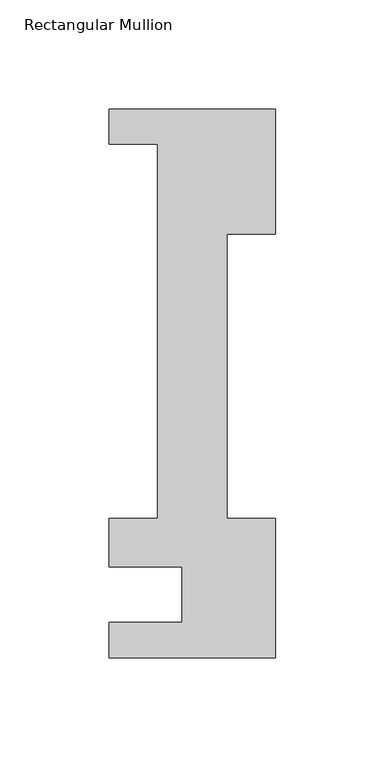
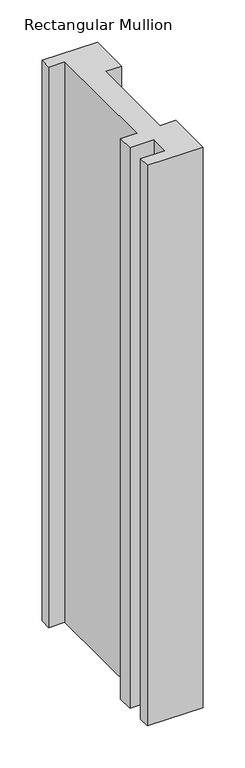
"""IFC4 building model written with IfcOpenShell, lengths in millimetres: member geometry, Rectangular Mullion."""

from ifc_helpers import new_model, si_unit, frame, origin, place, context, project, spatial, polyline, outline, extrude, source, transform, mapped, element, save


def rectangular_mullion_b5fe2f0d(model_context):
    return source(origin(), model_context, "Body", "SweptSolid", [
        extrude(outline(polyline([(0.0, 221.996), (0.0, 164.7946959), (-22.225, 164.7946959), (-22.225, 34.671), (0.0, 34.671), (0.0, -29.0542503), (-76.2, -29.0542503), (-76.2, -12.7), (-42.8625, -12.7), (-42.8625, 12.7), (-76.2, 12.7), (-76.2, 34.671), (-53.975, 34.671), (-53.975, 206.121), (-76.2, 206.121), (-76.2, 221.996), (0.0, 221.996)])), frame((0.0, 0.0, -812.8), z_axis=(0.0, 0.0, 1.0), x_axis=(1.0, 0.0, 0.0)), (0.0, 0.0, 1.0), 812.8),
    ])


if __name__ == "__main__":
    model = new_model("IFC4")
    model_context = context("Model", 3, world=origin())
    ifc_project = project(units=[si_unit("LENGTHUNIT", "METRE", prefix="MILLI")], contexts=[model_context])
    site = spatial("IfcSite", under=ifc_project)
    building = spatial("IfcBuilding", under=site)
    placement = place(None, origin())
    rectangular_mullion_shape = rectangular_mullion_b5fe2f0d(model_context)
    element("IfcMember", 1, ObjectType="Rectangular Mullion", at=placement, inside=building, context=model_context, shape_type="MappedRepresentation", body=[
        mapped(rectangular_mullion_shape, transform((0.0, 0.0, 0.0), x_axis=(1.0, 0.0, 0.0), y_axis=(0.0, 1.0, 0.0), z_axis=(0.0, 0.0, 1.0))),
    ])
    save(model, "model.ifc")
